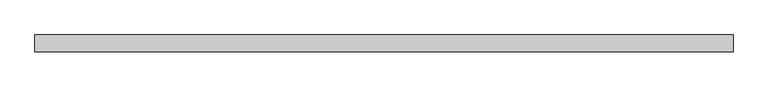
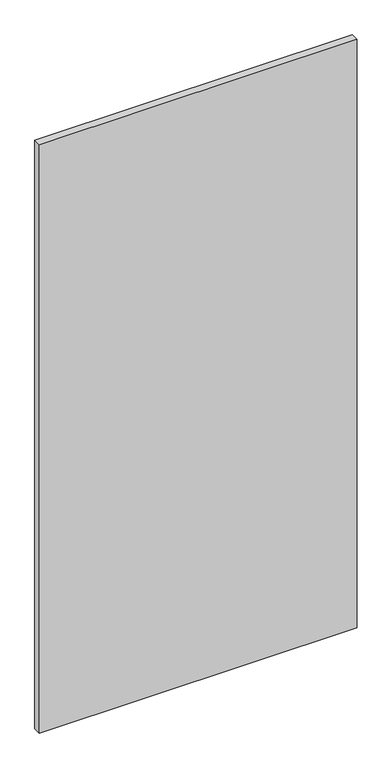
"""IFC4 building model written with IfcOpenShell, lengths in millimetres: plate geometry."""

from ifc_helpers import new_model, si_unit, origin, origin_with_axes, place, context, project, spatial, polyline, outline, extrude, source, transform, mapped, element, save


def plate_bae190b2(model_context):
    return source(origin(), model_context, "Body", "SweptSolid", [
        extrude(outline(polyline([(517.4013399, 24.5), (-517.4013399, 24.5), (-517.4013399, 49.5), (517.4013399, 49.5), (517.4013399, 24.5)])), origin_with_axes(), (0.0, 0.0, 1.0), 2025.0),
    ])


if __name__ == "__main__":
    model = new_model("IFC4")
    model_context = context("Model", 3, world=origin())
    ifc_project = project(units=[si_unit("LENGTHUNIT", "METRE", prefix="MILLI")], contexts=[model_context])
    site = spatial("IfcSite", under=ifc_project)
    building = spatial("IfcBuilding", under=site)
    placement = place(None, origin())
    plate_shape = plate_bae190b2(model_context)
    element("IfcPlate", 1, at=placement, inside=building, context=model_context, shape_type="MappedRepresentation", body=[
        mapped(plate_shape, transform((0.0, 0.0, 0.0), x_axis=(1.0, 0.0, 0.0), y_axis=(0.0, 1.0, 0.0), z_axis=(0.0, 0.0, 1.0))),
    ])
    save(model, "model.ifc")
